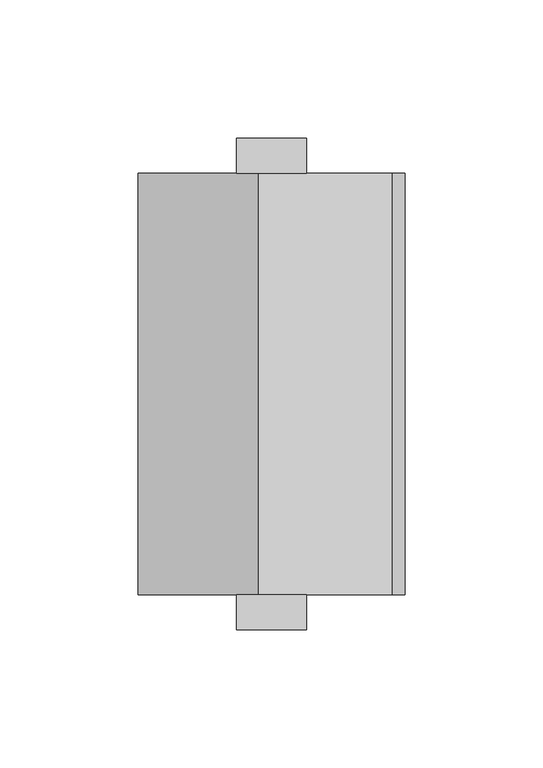
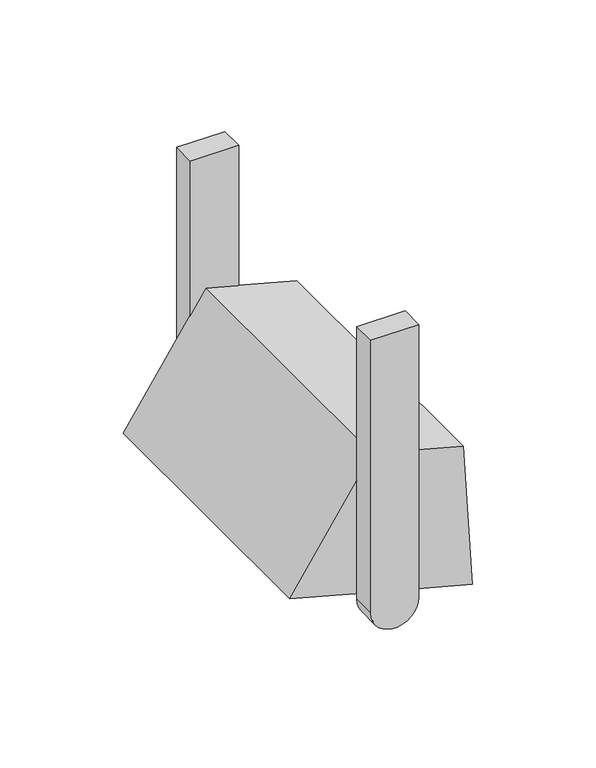
"""IFC4 building model written with IfcOpenShell, lengths in millimetres: light fixture geometry."""

from ifc_helpers import new_model, si_unit, point, frame, frame_2d, origin, place, context, project, spatial, polyline, circle_curve, trimmed, segment, composite_curve, outline, extrude, source, transform, mapped, element, save


def light_fixture_0afb1c35(model_context):
    return source(origin(), model_context, "Body", "SweptSolid", [
        extrude(outline(composite_curve([segment(trimmed(circle_curve(frame_2d((2286.0, 0.0)), 12.7), [point((2286.0, -12.7))], [point((2286.0, 12.7))], False, "CARTESIAN"), True, "CONTINUOUS"), segment(polyline([(2286.0, 12.7), (2438.4, 12.7), (2438.4, -12.7), (2286.0, -12.7)]), True, "CONTINUOUS")], self_intersect=False)), frame((0.0, 76.2, 0.0), z_axis=(0.0, 1.0, 0.0), x_axis=(0.0, 0.0, 1.0)), (0.0, 0.0, 1.0), 12.7),
        extrude(outline(composite_curve([segment(trimmed(circle_curve(frame_2d((2286.0, 0.0)), 12.7), [point((2286.0, -12.7))], [point((2286.0, 12.7))], False, "CARTESIAN"), True, "CONTINUOUS"), segment(polyline([(2286.0, 12.7), (2438.4, 12.7), (2438.4, -12.7), (2286.0, -12.7)]), True, "CONTINUOUS")], self_intersect=False)), frame((0.0, -88.9, 0.0), z_axis=(0.0, 1.0, 0.0), x_axis=(0.0, 0.0, 1.0)), (0.0, 0.0, 1.0), 12.7),
        extrude(outline(polyline([(2351.9739608, 43.57323), (2364.9149131, -4.7230614), (2298.9409523, -48.2826354), (2286.0, 0.0136559), (2273.0590477, 48.3099472), (2351.9739608, 43.57323)])), frame((0.0, -76.2, 0.0), z_axis=(0.0, 1.0, 0.0), x_axis=(0.0, 0.0, 1.0)), (0.0, 0.0, 1.0), 152.4),
    ])


if __name__ == "__main__":
    model = new_model("IFC4")
    model_context = context("Model", 3, world=origin())
    ifc_project = project(units=[si_unit("LENGTHUNIT", "METRE", prefix="MILLI")], contexts=[model_context])
    site = spatial("IfcSite", under=ifc_project)
    building = spatial("IfcBuilding", under=site)
    placement = place(None, origin())
    light_fixture_shape = light_fixture_0afb1c35(model_context)
    element("IfcLightFixture", 1, at=placement, inside=building, context=model_context, shape_type="MappedRepresentation", body=[
        mapped(light_fixture_shape, transform((0.0, 0.0, 0.0), x_axis=(1.0, 0.0, 0.0), y_axis=(0.0, 1.0, 0.0), z_axis=(0.0, 0.0, 1.0))),
    ])
    save(model, "model.ifc")
